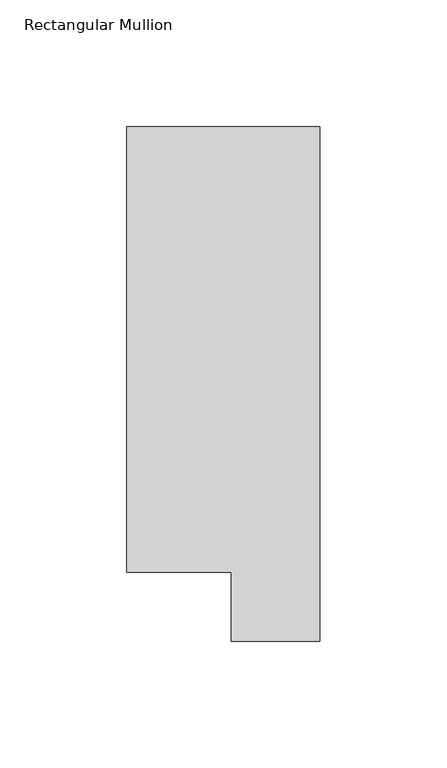
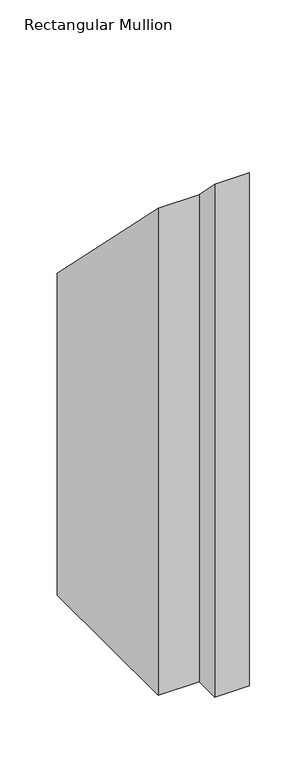
"""IFC4 building model written with IfcOpenShell, lengths in millimetres: member geometry, Rectangular Mullion."""

from ifc_helpers import new_model, si_unit, origin, place, context, project, spatial, faceted_brep, source, transform, mapped, element, save


def rectangular_mullion_52777e30(model_context):
    return source(origin(), model_context, "Body", "Brep", [
        faceted_brep([(0.0, 222.5381312, -565.15), (0.0, 19.5667312, -565.15), (-34.9123, 19.5667312, -565.15), (-34.9123, 46.7447302, -565.15), (-76.2, 46.7447302, -565.15), (-76.2, 222.5381312, -565.15), (-76.2, 222.5381312, -222.5381313), (0.0, 222.5381312, -222.5381313), (-76.2, 46.7447302, -46.7447302), (-34.9123, 46.7447302, -46.7447302), (-34.9123, 19.5667312, -19.5667312), (0.0, 19.5667312, -19.5667312)], [[[0, 1, 2, 3, 4, 5]], [[6, 7, 0, 5]], [[8, 6, 5, 4]], [[9, 8, 4, 3]], [[10, 9, 3, 2]], [[11, 10, 2, 1]], [[7, 11, 1, 0]], [[7, 6, 8, 9, 10, 11]]]),
    ])


if __name__ == "__main__":
    model = new_model("IFC4")
    model_context = context("Model", 3, world=origin())
    ifc_project = project(units=[si_unit("LENGTHUNIT", "METRE", prefix="MILLI")], contexts=[model_context])
    site = spatial("IfcSite", under=ifc_project)
    building = spatial("IfcBuilding", under=site)
    placement = place(None, origin())
    rectangular_mullion_shape = rectangular_mullion_52777e30(model_context)
    element("IfcMember", 1, ObjectType="Rectangular Mullion", at=placement, inside=building, context=model_context, shape_type="MappedRepresentation", body=[
        mapped(rectangular_mullion_shape, transform((0.0, 0.0, 0.0), x_axis=(1.0, 0.0, 0.0), y_axis=(0.0, 1.0, 0.0), z_axis=(0.0, 0.0, 1.0))),
    ])
    save(model, "model.ifc")
